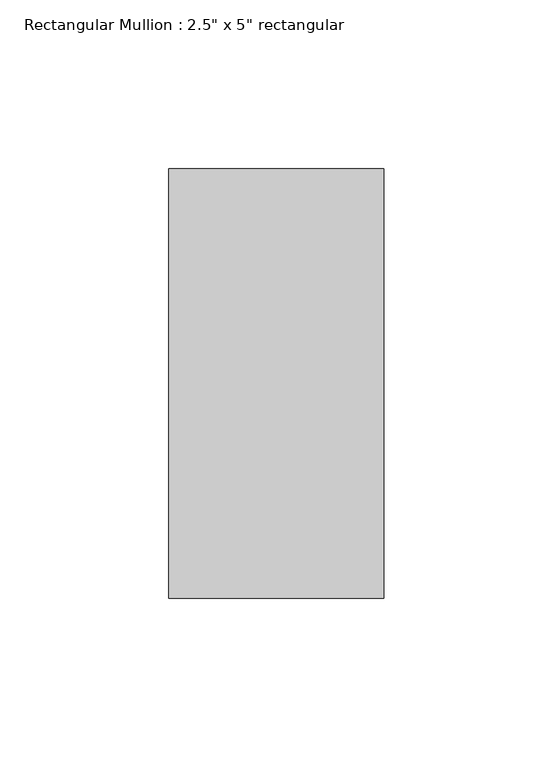
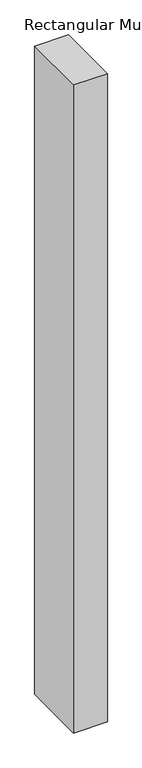
"""IFC4 building model written with IfcOpenShell, lengths in millimetres: member geometry."""

from ifc_helpers import new_model, si_unit, frame, origin, place, context, project, spatial, polyline, outline, extrude, source, transform, mapped, element, save


def member_d7d31be6(model_context):
    return source(origin(), model_context, "Body", "SweptSolid", [
        extrude(outline(polyline([(31.75, 63.5), (31.75, -63.5), (-31.75, -63.5), (-31.75, 63.5), (31.75, 63.5)])), frame((0.0, 0.0, -1291.4166667), z_axis=(0.0, 0.0, 1.0), x_axis=(1.0, 0.0, 0.0)), (0.0, 0.0, 1.0), 1291.4166667),
    ])


if __name__ == "__main__":
    model = new_model("IFC4")
    model_context = context("Model", 3, world=origin())
    ifc_project = project(units=[si_unit("LENGTHUNIT", "METRE", prefix="MILLI")], contexts=[model_context])
    site = spatial("IfcSite", under=ifc_project)
    building = spatial("IfcBuilding", under=site)
    placement = place(None, origin())
    member_shape = member_d7d31be6(model_context)
    element("IfcMember", 1, ObjectType="Rectangular Mullion : 2.5\" x 5\" rectangular", at=placement, inside=building, context=model_context, shape_type="MappedRepresentation", body=[
        mapped(member_shape, transform((0.0, 0.0, 0.0), x_axis=(1.0, 0.0, 0.0), y_axis=(0.0, 1.0, 0.0), z_axis=(0.0, 0.0, 1.0))),
    ])
    save(model, "model.ifc")
